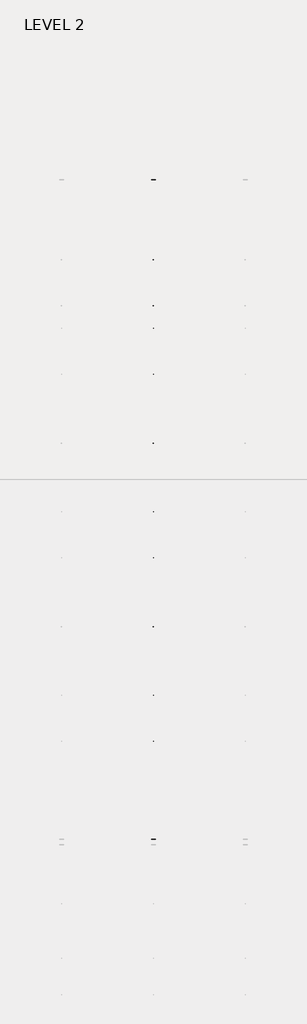
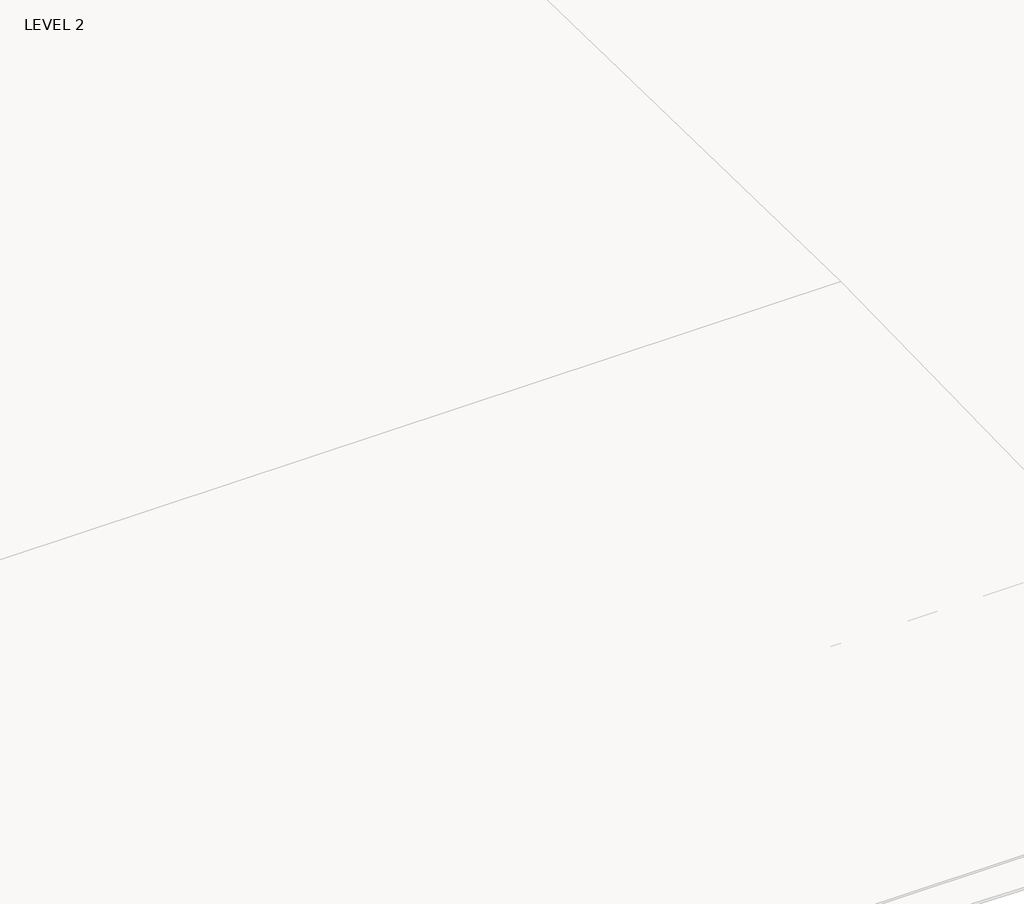
# One storey, part 61 of 67: 1 beam.
"""IFC4 building model written with IfcOpenShell, lengths in millimetres."""

from ifc_helpers import new_model, si_unit, frame, origin, place, context, project, spatial, polyline, outline, extrude, faceted_brep, element, save

model = new_model("IFC4")

# Units and contexts
model_context = context("Model", 3, world=origin())
ifc_project = project(units=[si_unit("LENGTHUNIT", "METRE", prefix="MILLI")], contexts=[model_context])

# Site, building, storey
site = spatial("IfcSite", under=ifc_project)
building = spatial("IfcBuilding", under=site)
storey = spatial("IfcBuildingStorey", under=building, Name="LEVEL 2", Elevation=6908.8)

# Beam
placement = place(None, origin())
element("IfcBeam", 1, ObjectType="K-Series Bar Joist-Angle Web : 30K7", at=placement, inside=storey, context=model_context, shape_type="SolidModel", body=[
    extrude(outline(polyline([(0.0, -9.525), (0.0, 0.0), (1596.011582, 0.0), (1596.011582, -9.525), (0.0, -9.525)])), frame((55499.2930142, 3035.5608234, 6301.5998528), z_axis=(0.0, -0.45537207995192985, 0.8903012236317849), x_axis=(0.0, -0.8903012236317849, -0.45537207995192985)), (0.0, 0.0, 1.0), 9.525),
    extrude(outline(polyline([(0.0, -9.525), (0.0, 0.0), (1596.011582, 0.0), (1596.011582, -9.525), (0.0, -9.525)])), frame((55489.7680142, -9405.2089013, 6276.405159), z_axis=(0.0, 0.45176233395621196, 0.8921383265046045), x_axis=(0.0, 0.8921383265046045, -0.45176233395621196)), (0.0, 0.0, 1.0), 9.525),
    extrude(outline(polyline([(4.7625, 4.7625), (4.7625, -4.7625), (-4.7625, -4.7625), (-4.7625, 4.7625), (4.7625, 4.7625)])), frame((55494.5305142, 1612.4610495, 5579.0607987), z_axis=(0.0, 0.5141906943646374, 0.8576758885667779), x_axis=(-1.0, 0.0, 0.0)), (0.0, 0.0, 1.0), 845.0528554),
    extrude(outline(polyline([(4.7625, 4.7625), (4.7625, -4.7625), (-4.7625, -4.7625), (-4.7625, 4.7625), (4.7625, 4.7625)])), frame((55494.5305142, -7979.1942813, 5559.6360505), z_axis=(0.0, -0.5176603441548682, 0.8555862131249332), x_axis=(-1.0, 0.0, 0.0)), (0.0, 0.0, 1.0), 845.0528554),
    extrude(outline(polyline([(0.0, 0.0), (31.75, 0.0), (31.75, -6.35), (6.35, -6.35), (6.35, -31.75), (0.0, -31.75), (0.0, 0.0)])), frame((55499.2930142, -8080.7812131, 5553.0803065), z_axis=(0.0, 0.9999979493462576, 0.0020251674695521043), x_axis=(1.0, 0.0, 0.0)), (0.0, 0.0, 1.0), 9794.875),
    extrude(outline(polyline([(-9.525, 0.0), (-9.525, -31.75), (-15.875, -31.75), (-15.875, -6.35), (-41.275, -6.35), (-41.275, 0.0), (-9.525, 0.0)])), frame((55499.2930142, -8080.7812131, 5553.0803065), z_axis=(0.0, 0.9999979493462576, 0.0020251674695521043), x_axis=(1.0, 0.0, 0.0)), (0.0, 0.0, 1.0), 9794.875),
    extrude(outline(polyline([(-31.75, 0.0), (0.0, 0.0), (0.0, -6.35), (-25.4, -6.35), (-25.4, -31.75), (-31.75, -31.75), (-31.75, 0.0)])), frame((55531.0430142, -9504.5928758, 6248.6982759), z_axis=(0.0, 0.9999979493462576, 0.0020251674695521043), x_axis=(1.0, 0.0, 0.0)), (0.0, 0.0, 1.0), 101.6),
    extrude(outline(polyline([(-41.275, 0.0), (-41.275, -31.75), (-47.625, -31.75), (-47.625, -6.35), (-73.025, -6.35), (-73.025, 0.0), (-41.275, 0.0)])), frame((55531.0430142, -9504.5928758, 6248.6982759), z_axis=(0.0, 0.9999979493462576, 0.0020251674695521043), x_axis=(1.0, 0.0, 0.0)), (0.0, 0.0, 1.0), 101.6),
    extrude(outline(polyline([(0.0, 0.0), (31.75, 0.0), (31.75, -6.35), (6.35, -6.35), (6.35, -31.75), (0.0, -31.75), (0.0, 0.0)])), frame((55489.7680142, 3033.456413, 6274.0899775), z_axis=(0.0, 0.9999979493462576, 0.0020251674695521043), x_axis=(0.0, -0.0020251674695521043, 0.9999979493462576)), (0.0, 0.0, 1.0), 101.6),
    extrude(outline(polyline([(0.0, 41.275), (6.35, 41.275), (6.35, 15.875), (31.75, 15.875), (31.75, 9.525), (0.0, 9.525), (0.0, 41.275)])), frame((55489.7680142, 3033.456413, 6274.0899775), z_axis=(0.0, 0.9999979493462576, 0.0020251674695521043), x_axis=(0.0, -0.0020251674695521043, 0.9999979493462576)), (0.0, 0.0, 1.0), 101.6),
    extrude(outline(polyline([(0.0, 0.0), (31.75, 0.0), (31.75, -6.35), (6.35, -6.35), (6.35, -31.75), (0.0, -31.75), (0.0, 0.0)])), frame((55499.2930142, -9504.7214739, 6312.1981457), z_axis=(0.0, 0.9999979493462576, 0.0020251674695521043), x_axis=(0.0, 0.0020251674695521043, -0.9999979493462576)), (0.0, 0.0, 1.0), 12639.675),
    extrude(outline(polyline([(0.0, 9.525), (0.0, 41.275), (6.35, 41.275), (6.35, 15.875), (31.75, 15.875), (31.75, 9.525), (0.0, 9.525)])), frame((55499.2930142, -9504.7214739, 6312.1981457), z_axis=(0.0, 0.9999979493462576, 0.0020251674695521043), x_axis=(0.0, 0.0020251674695521043, -0.9999979493462576)), (0.0, 0.0, 1.0), 12639.675),
    faceted_brep([(55494.5305142, 1612.4289, 5594.9357661), (55494.5305142, 1612.4674794, 5575.8858052), (55489.7680142, 1612.4674794, 5575.8858052), (55489.7680142, 1612.4289, 5594.9357661), (55494.5305142, 1611.5910583, 5594.9340693), (55494.5305142, 1186.8149607, 6330.6753354), (55494.5305142, 1168.6028414, 6330.6384527), (55494.5305142, 1168.6414208, 6311.5884918), (55494.5305142, 1175.8292494, 6311.6030483), (55494.5305142, 1600.6053471, 5575.8617823), (55489.7680142, 1600.6053471, 5575.8617823), (55489.7680142, 1580.4651011, 5610.7460665), (55489.7680142, 1584.5895575, 5613.1272983), (55489.7680142, 1189.1083632, 6298.1277874), (55489.7680142, 1184.9839067, 6295.7465555), (55489.7680142, 1175.8292494, 6311.6030483), (55489.7680142, 1168.6414208, 6311.5884918), (55489.7680142, 1168.6028414, 6330.6384527), (55489.7680142, 1186.8149607, 6330.6753354), (55489.7680142, 1611.5910583, 5594.9340693), (55477.0680142, 1184.9839067, 6295.7465555), (55477.0680142, 1580.4651011, 5610.7460665), (55477.0680142, 1584.5895575, 5613.1272983), (55477.0680142, 1189.1083632, 6298.1277874)], [[[0, 1, 2, 3]], [[1, 0, 4, 5, 6, 7, 8, 9]], [[2, 1, 9, 10]], [[3, 2, 10, 11, 12, 13, 14, 15, 16, 17, 18, 19]], [[0, 3, 19, 4]], [[9, 8, 15, 14, 20, 21, 11, 10]], [[5, 4, 19, 18]], [[7, 6, 17, 16]], [[8, 7, 16, 15]], [[6, 5, 18, 17]], [[21, 22, 12, 11]], [[20, 14, 13, 23]], [[22, 21, 20, 23]], [[12, 22, 23, 13]]]),
    extrude(outline(polyline([(740.498813, 5574.119919), (740.4602335, 5593.1698799), (741.2980751, 5593.1715767), (1163.090696, 6330.6272897), (1181.3028154, 6330.6641723), (1181.3413948, 6311.6142114), (1174.1535662, 6311.5996548), (752.3609453, 5574.1439418), (740.498813, 5574.119919)])), frame((55494.5305142, 0.0, 0.0), z_axis=(1.0, 0.0, 0.0), x_axis=(0.0, 1.0, 0.0)), (0.0, 0.0, 1.0), 4.7625),
    extrude(outline(polyline([(-4.7625, 4.7625), (-4.7625, 0.0), (-17.4625, 0.0), (-17.4625, 4.7625), (-4.7625, 4.7625)])), frame((55494.5305142, 772.3597334, 5609.1095144), z_axis=(0.0, 0.4964843899757221, 0.8680456500152716), x_axis=(-1.0, 0.0, 0.0)), (0.0, 0.0, 1.0), 790.9684223),
    faceted_brep([(55494.5305142, -7107.2577644, 5577.2769041), (55494.5305142, -7107.219185, 5558.2269432), (55489.7680142, -7107.219185, 5558.2269432), (55489.7680142, -7107.2577644, 5577.2769041), (55494.5305142, -7108.095606, 5577.2752074), (55494.5305142, -7532.8717036, 6313.0164734), (55494.5305142, -7551.083823, 6312.9795907), (55494.5305142, -7551.0452435, 6293.9296298), (55494.5305142, -7543.8574149, 6293.9441864), (55494.5305142, -7119.0813173, 5558.2029203), (55489.7680142, -7119.0813173, 5558.2029203), (55489.7680142, -7139.2215633, 5593.0872045), (55489.7680142, -7135.0971068, 5595.4684363), (55489.7680142, -7530.5783012, 6280.4689254), (55489.7680142, -7534.7027576, 6278.0876936), (55489.7680142, -7543.8574149, 6293.9441864), (55489.7680142, -7551.0452435, 6293.9296298), (55489.7680142, -7551.083823, 6312.9795907), (55489.7680142, -7532.8717036, 6313.0164734), (55489.7680142, -7108.095606, 5577.2752074), (55477.0680142, -7534.7027576, 6278.0876936), (55477.0680142, -7139.2215633, 5593.0872045), (55477.0680142, -7135.0971068, 5595.4684363), (55477.0680142, -7530.5783012, 6280.4689254)], [[[0, 1, 2, 3]], [[1, 0, 4, 5, 6, 7, 8, 9]], [[2, 1, 9, 10]], [[3, 2, 10, 11, 12, 13, 14, 15, 16, 17, 18, 19]], [[0, 3, 19, 4]], [[9, 8, 15, 14, 20, 21, 11, 10]], [[5, 4, 19, 18]], [[7, 6, 17, 16]], [[8, 7, 16, 15]], [[6, 5, 18, 17]], [[21, 22, 12, 11]], [[20, 14, 13, 23]], [[22, 21, 20, 23]], [[12, 22, 23, 13]]]),
    extrude(outline(polyline([(-7979.1878514, 5556.461057), (-7979.2264308, 5575.5110179), (-7978.3885892, 5575.5127147), (-7556.5959683, 6312.9684277), (-7538.383849, 6313.0053103), (-7538.3452696, 6293.9553494), (-7545.5330982, 6293.9407928), (-7967.3257191, 5556.4850798), (-7979.1878514, 5556.461057)])), frame((55494.5305142, 0.0, 0.0), z_axis=(1.0, 0.0, 0.0), x_axis=(0.0, 1.0, 0.0)), (0.0, 0.0, 1.0), 4.7625),
    extrude(outline(polyline([(-4.7625, 4.7625), (-4.7625, 0.0), (-17.4625, 0.0), (-17.4625, 4.7625), (-4.7625, 4.7625)])), frame((55494.5305142, -7947.326931, 5591.4506524), z_axis=(0.0, 0.4964843899757221, 0.8680456500152716), x_axis=(-1.0, 0.0, 0.0)), (0.0, 0.0, 1.0), 790.9684223),
    faceted_brep([(55494.5305142, 740.4602335, 5593.1698799), (55494.5305142, 740.498813, 5574.119919), (55489.7680142, 740.498813, 5574.119919), (55489.7680142, 740.4602335, 5593.1698799), (55494.5305142, 739.6223919, 5593.1681831), (55494.5305142, 314.8462943, 6328.9094492), (55494.5305142, 296.634175, 6328.8725665), (55494.5305142, 296.6727544, 6309.8226056), (55494.5305142, 303.860583, 6309.8371621), (55494.5305142, 728.6366806, 5574.0958961), (55489.7680142, 728.6366806, 5574.0958961), (55489.7680142, 708.4964346, 5608.9801803), (55489.7680142, 712.6208911, 5611.3614121), (55489.7680142, 317.1396968, 6296.3619012), (55489.7680142, 313.0152403, 6293.9806693), (55489.7680142, 303.860583, 6309.8371621), (55489.7680142, 296.6727544, 6309.8226056), (55489.7680142, 296.634175, 6328.8725665), (55489.7680142, 314.8462943, 6328.9094492), (55489.7680142, 739.6223919, 5593.1681831), (55477.0680142, 313.0152403, 6293.9806693), (55477.0680142, 708.4964346, 5608.9801803), (55477.0680142, 712.6208911, 5611.3614121), (55477.0680142, 317.1396968, 6296.3619012)], [[[0, 1, 2, 3]], [[1, 0, 4, 5, 6, 7, 8, 9]], [[2, 1, 9, 10]], [[3, 2, 10, 11, 12, 13, 14, 15, 16, 17, 18, 19]], [[0, 3, 19, 4]], [[9, 8, 15, 14, 20, 21, 11, 10]], [[5, 4, 19, 18]], [[7, 6, 17, 16]], [[8, 7, 16, 15]], [[6, 5, 18, 17]], [[21, 22, 12, 11]], [[20, 14, 13, 23]], [[22, 21, 20, 23]], [[12, 22, 23, 13]]]),
    extrude(outline(polyline([(-131.4698535, 5572.3540328), (-131.5084329, 5591.4039937), (-130.6705913, 5591.4056905), (291.1220296, 6328.8614035), (309.3341489, 6328.8982861), (309.3727284, 6309.8483252), (302.1848998, 6309.8337686), (-119.6077211, 5572.3780556), (-131.4698535, 5572.3540328)])), frame((55494.5305142, 0.0, 0.0), z_axis=(1.0, 0.0, 0.0), x_axis=(0.0, 1.0, 0.0)), (0.0, 0.0, 1.0), 4.7625),
    extrude(outline(polyline([(-4.7625, 4.7625), (-4.7625, 0.0), (-17.4625, 0.0), (-17.4625, 4.7625), (-4.7625, 4.7625)])), frame((55494.5305142, -99.6089331, 5607.3436282), z_axis=(0.0, 0.4964843899757221, 0.8680456500152716), x_axis=(-1.0, 0.0, 0.0)), (0.0, 0.0, 1.0), 790.9684223),
    faceted_brep([(55494.5305142, -131.5084329, 5591.4039937), (55494.5305142, -131.4698535, 5572.3540328), (55489.7680142, -131.4698535, 5572.3540328), (55489.7680142, -131.5084329, 5591.4039937), (55494.5305142, -132.3462745, 5591.4022969), (55494.5305142, -557.1223722, 6327.143563), (55494.5305142, -575.3344915, 6327.1066803), (55494.5305142, -575.295912, 6308.0567194), (55494.5305142, -568.1080834, 6308.0712759), (55494.5305142, -143.3319858, 5572.3300099), (55489.7680142, -143.3319858, 5572.3300099), (55489.7680142, -163.4722318, 5607.2142941), (55489.7680142, -159.3477753, 5609.5955259), (55489.7680142, -554.8289697, 6294.596015), (55489.7680142, -558.9534262, 6292.2147831), (55489.7680142, -568.1080834, 6308.0712759), (55489.7680142, -575.295912, 6308.0567194), (55489.7680142, -575.3344915, 6327.1066803), (55489.7680142, -557.1223722, 6327.143563), (55489.7680142, -132.3462745, 5591.4022969), (55477.0680142, -558.9534262, 6292.2147831), (55477.0680142, -163.4722318, 5607.2142941), (55477.0680142, -159.3477753, 5609.5955259), (55477.0680142, -554.8289697, 6294.596015)], [[[0, 1, 2, 3]], [[1, 0, 4, 5, 6, 7, 8, 9]], [[2, 1, 9, 10]], [[3, 2, 10, 11, 12, 13, 14, 15, 16, 17, 18, 19]], [[0, 3, 19, 4]], [[9, 8, 15, 14, 20, 21, 11, 10]], [[5, 4, 19, 18]], [[7, 6, 17, 16]], [[8, 7, 16, 15]], [[6, 5, 18, 17]], [[21, 22, 12, 11]], [[20, 14, 13, 23]], [[22, 21, 20, 23]], [[12, 22, 23, 13]]]),
    extrude(outline(polyline([(-1003.4385199, 5570.5881466), (-1003.4770993, 5589.6381075), (-1002.6392577, 5589.6398043), (-580.8466368, 6327.0955173), (-562.6345175, 6327.1323999), (-562.5959381, 6308.082439), (-569.7837667, 6308.0678824), (-991.5763876, 5570.6121694), (-1003.4385199, 5570.5881466)])), frame((55494.5305142, 0.0, 0.0), z_axis=(1.0, 0.0, 0.0), x_axis=(0.0, 1.0, 0.0)), (0.0, 0.0, 1.0), 4.7625),
    extrude(outline(polyline([(-4.7625, 4.7625), (-4.7625, 0.0), (-17.4625, 0.0), (-17.4625, 4.7625), (-4.7625, 4.7625)])), frame((55494.5305142, -971.5775995, 5605.577742), z_axis=(0.0, 0.4964843899757221, 0.8680456500152716), x_axis=(-1.0, 0.0, 0.0)), (0.0, 0.0, 1.0), 790.9684223),
    faceted_brep([(55494.5305142, -1003.4770993, 5589.6381075), (55494.5305142, -1003.4385199, 5570.5881466), (55489.7680142, -1003.4385199, 5570.5881466), (55489.7680142, -1003.4770993, 5589.6381075), (55494.5305142, -1004.314941, 5589.6364107), (55494.5305142, -1429.0910386, 6325.3776768), (55494.5305142, -1447.3031579, 6325.3407941), (55494.5305142, -1447.2645785, 6306.2908332), (55494.5305142, -1440.0767499, 6306.3053897), (55494.5305142, -1015.3006522, 5570.5641237), (55489.7680142, -1015.3006522, 5570.5641237), (55489.7680142, -1035.4408983, 5605.4484079), (55489.7680142, -1031.3164418, 5607.8296397), (55489.7680142, -1426.7976361, 6292.8301288), (55489.7680142, -1430.9220926, 6290.4488969), (55489.7680142, -1440.0767499, 6306.3053897), (55489.7680142, -1447.2645785, 6306.2908332), (55489.7680142, -1447.3031579, 6325.3407941), (55489.7680142, -1429.0910386, 6325.3776768), (55489.7680142, -1004.314941, 5589.6364107), (55477.0680142, -1430.9220926, 6290.4488969), (55477.0680142, -1035.4408983, 5605.4484079), (55477.0680142, -1031.3164418, 5607.8296397), (55477.0680142, -1426.7976361, 6292.8301288)], [[[0, 1, 2, 3]], [[1, 0, 4, 5, 6, 7, 8, 9]], [[2, 1, 9, 10]], [[3, 2, 10, 11, 12, 13, 14, 15, 16, 17, 18, 19]], [[0, 3, 19, 4]], [[9, 8, 15, 14, 20, 21, 11, 10]], [[5, 4, 19, 18]], [[7, 6, 17, 16]], [[8, 7, 16, 15]], [[6, 5, 18, 17]], [[21, 22, 12, 11]], [[20, 14, 13, 23]], [[22, 21, 20, 23]], [[12, 22, 23, 13]]]),
    extrude(outline(polyline([(-1875.4071863, 5568.8222604), (-1875.4457658, 5587.8722213), (-1874.6079242, 5587.8739181), (-1452.8153033, 6325.3296311), (-1434.6031839, 6325.3665137), (-1434.5646045, 6306.3165528), (-1441.7524331, 6306.3019962), (-1863.545054, 5568.8462832), (-1875.4071863, 5568.8222604)])), frame((55494.5305142, 0.0, 0.0), z_axis=(1.0, 0.0, 0.0), x_axis=(0.0, 1.0, 0.0)), (0.0, 0.0, 1.0), 4.7625),
    extrude(outline(polyline([(-4.7625, 4.7625001), (-4.7625, 0.0), (-17.4625, 0.0), (-17.4625, 4.7625001), (-4.7625, 4.7625001)])), frame((55494.5305142, -1843.5462659, 5603.8118558), z_axis=(0.0, 0.4964843899757221, 0.8680456500152716), x_axis=(-1.0, 0.0, 0.0)), (0.0, 0.0, 1.0), 790.9684223),
    faceted_brep([(55494.5305142, -1875.4457658, 5587.8722213), (55494.5305142, -1875.4071863, 5568.8222604), (55489.7680142, -1875.4071863, 5568.8222604), (55489.7680142, -1875.4457658, 5587.8722213), (55494.5305142, -1876.2836074, 5587.8705245), (55494.5305142, -2301.059705, 6323.6117906), (55494.5305142, -2319.2718243, 6323.5749079), (55494.5305142, -2319.2332449, 6304.524947), (55494.5305142, -2312.0454163, 6304.5395035), (55494.5305142, -1887.2693187, 5568.7982375), (55489.7680142, -1887.2693187, 5568.7982375), (55489.7680142, -1907.4095647, 5603.6825217), (55489.7680142, -1903.2851082, 5606.0637535), (55489.7680142, -2298.7663026, 6291.0642426), (55489.7680142, -2302.890759, 6288.6830107), (55489.7680142, -2312.0454163, 6304.5395035), (55489.7680142, -2319.2332449, 6304.524947), (55489.7680142, -2319.2718243, 6323.5749079), (55489.7680142, -2301.059705, 6323.6117906), (55489.7680142, -1876.2836074, 5587.8705245), (55477.0680142, -2302.890759, 6288.6830107), (55477.0680142, -1907.4095647, 5603.6825217), (55477.0680142, -1903.2851082, 5606.0637535), (55477.0680142, -2298.7663026, 6291.0642426)], [[[0, 1, 2, 3]], [[1, 0, 4, 5, 6, 7, 8, 9]], [[2, 1, 9, 10]], [[3, 2, 10, 11, 12, 13, 14, 15, 16, 17, 18, 19]], [[0, 3, 19, 4]], [[9, 8, 15, 14, 20, 21, 11, 10]], [[5, 4, 19, 18]], [[7, 6, 17, 16]], [[8, 7, 16, 15]], [[6, 5, 18, 17]], [[21, 22, 12, 11]], [[20, 14, 13, 23]], [[22, 21, 20, 23]], [[12, 22, 23, 13]]]),
    extrude(outline(polyline([(-2747.3758528, 5567.0563742), (-2747.4144322, 5586.1063351), (-2746.5765906, 5586.1080319), (-2324.7839697, 6323.5637449), (-2306.5718504, 6323.6006275), (-2306.5332709, 6304.5506666), (-2313.7210995, 6304.53611), (-2735.5137204, 5567.080397), (-2747.3758528, 5567.0563742)])), frame((55494.5305142, 0.0, 0.0), z_axis=(1.0, 0.0, 0.0), x_axis=(0.0, 1.0, 0.0)), (0.0, 0.0, 1.0), 4.7625),
    extrude(outline(polyline([(-4.7625, 4.7625), (-4.7625, 0.0), (-17.4625, 0.0), (-17.4625, 4.7625), (-4.7625, 4.7625)])), frame((55494.5305142, -2715.5149324, 5602.0459696), z_axis=(0.0, 0.4964843899757221, 0.8680456500152716), x_axis=(-1.0, 0.0, 0.0)), (0.0, 0.0, 1.0), 790.9684223),
    faceted_brep([(55494.5305142, -2747.4144322, 5586.1063351), (55494.5305142, -2747.3758528, 5567.0563742), (55489.7680142, -2747.3758528, 5567.0563742), (55489.7680142, -2747.4144322, 5586.1063351), (55494.5305142, -2748.2522738, 5586.1046383), (55494.5305142, -3173.0283715, 6321.8459044), (55494.5305142, -3191.2404908, 6321.8090217), (55494.5305142, -3191.2019113, 6302.7590608), (55494.5305142, -3184.0140827, 6302.7736173), (55494.5305142, -2759.2379851, 5567.0323513), (55489.7680142, -2759.2379851, 5567.0323513), (55489.7680142, -2779.3782311, 5601.9166355), (55489.7680142, -2775.2537747, 5604.2978673), (55489.7680142, -3170.734969, 6289.2983564), (55489.7680142, -3174.8594255, 6286.9171245), (55489.7680142, -3184.0140827, 6302.7736173), (55489.7680142, -3191.2019113, 6302.7590608), (55489.7680142, -3191.2404908, 6321.8090217), (55489.7680142, -3173.0283715, 6321.8459044), (55489.7680142, -2748.2522738, 5586.1046383), (55477.0680142, -3174.8594255, 6286.9171245), (55477.0680142, -2779.3782311, 5601.9166355), (55477.0680142, -2775.2537747, 5604.2978673), (55477.0680142, -3170.734969, 6289.2983564)], [[[0, 1, 2, 3]], [[1, 0, 4, 5, 6, 7, 8, 9]], [[2, 1, 9, 10]], [[3, 2, 10, 11, 12, 13, 14, 15, 16, 17, 18, 19]], [[0, 3, 19, 4]], [[9, 8, 15, 14, 20, 21, 11, 10]], [[5, 4, 19, 18]], [[7, 6, 17, 16]], [[8, 7, 16, 15]], [[6, 5, 18, 17]], [[21, 22, 12, 11]], [[20, 14, 13, 23]], [[22, 21, 20, 23]], [[12, 22, 23, 13]]]),
    extrude(outline(polyline([(-3619.3445192, 5565.290488), (-3619.3830987, 5584.3404489), (-3618.545257, 5584.3421457), (-3196.7526361, 6321.7978587), (-3178.5405168, 6321.8347413), (-3178.5019374, 6302.7847804), (-3185.689766, 6302.7702238), (-3607.4823869, 5565.3145108), (-3619.3445192, 5565.290488)])), frame((55494.5305142, 0.0, 0.0), z_axis=(1.0, 0.0, 0.0), x_axis=(0.0, 1.0, 0.0)), (0.0, 0.0, 1.0), 4.7625),
    extrude(outline(polyline([(-4.7625, 4.7625), (-4.7625, 0.0), (-17.4625, 0.0), (-17.4625, 4.7625), (-4.7625, 4.7625)])), frame((55494.5305142, -3587.4835988, 5600.2800834), z_axis=(0.0, 0.4964843899757221, 0.8680456500152716), x_axis=(-1.0, 0.0, 0.0)), (0.0, 0.0, 1.0), 790.9684223),
    faceted_brep([(55494.5305142, -3619.3830987, 5584.3404489), (55494.5305142, -3619.3445192, 5565.290488), (55489.7680142, -3619.3445192, 5565.290488), (55489.7680142, -3619.3830987, 5584.3404489), (55494.5305142, -3620.2209403, 5584.3387521), (55494.5305142, -4044.9970379, 6320.0800182), (55494.5305142, -4063.2091572, 6320.0431355), (55494.5305142, -4063.1705778, 6300.9931746), (55494.5305142, -4055.9827492, 6301.0077311), (55494.5305142, -3631.2066516, 5565.2664651), (55489.7680142, -3631.2066516, 5565.2664651), (55489.7680142, -3651.3468976, 5600.1507493), (55489.7680142, -3647.2224411, 5602.5319811), (55489.7680142, -4042.7036354, 6287.5324702), (55489.7680142, -4046.8280919, 6285.1512383), (55489.7680142, -4055.9827492, 6301.0077311), (55489.7680142, -4063.1705778, 6300.9931746), (55489.7680142, -4063.2091572, 6320.0431355), (55489.7680142, -4044.9970379, 6320.0800182), (55489.7680142, -3620.2209403, 5584.3387521), (55477.0680142, -4046.8280919, 6285.1512383), (55477.0680142, -3651.3468976, 5600.1507493), (55477.0680142, -3647.2224411, 5602.5319811), (55477.0680142, -4042.7036354, 6287.5324702)], [[[0, 1, 2, 3]], [[1, 0, 4, 5, 6, 7, 8, 9]], [[2, 1, 9, 10]], [[3, 2, 10, 11, 12, 13, 14, 15, 16, 17, 18, 19]], [[0, 3, 19, 4]], [[9, 8, 15, 14, 20, 21, 11, 10]], [[5, 4, 19, 18]], [[7, 6, 17, 16]], [[8, 7, 16, 15]], [[6, 5, 18, 17]], [[21, 22, 12, 11]], [[20, 14, 13, 23]], [[22, 21, 20, 23]], [[12, 22, 23, 13]]]),
    extrude(outline(polyline([(-4491.3131857, 5563.5246018), (-4491.3517651, 5582.5745627), (-4490.5139235, 5582.5762595), (-4068.7213026, 6320.0319725), (-4050.5091833, 6320.0688551), (-4050.4706038, 6301.0188942), (-4057.6584324, 6301.0043376), (-4479.4510533, 5563.5486246), (-4491.3131857, 5563.5246018)])), frame((55494.5305142, 0.0, 0.0), z_axis=(1.0, 0.0, 0.0), x_axis=(0.0, 1.0, 0.0)), (0.0, 0.0, 1.0), 4.7625),
    extrude(outline(polyline([(-4.7625, 4.7625), (-4.7625, 0.0), (-17.4625, 0.0), (-17.4625, 4.7625), (-4.7625, 4.7625)])), frame((55494.5305142, -4459.4522653, 5598.5141972), z_axis=(0.0, 0.4964843899757221, 0.8680456500152716), x_axis=(-1.0, 0.0, 0.0)), (0.0, 0.0, 1.0), 790.9684223),
    faceted_brep([(55494.5305142, -4491.3517651, 5582.5745627), (55494.5305142, -4491.3131857, 5563.5246018), (55489.7680142, -4491.3131857, 5563.5246018), (55489.7680142, -4491.3517651, 5582.5745627), (55494.5305142, -4492.1896067, 5582.572866), (55494.5305142, -4916.9657043, 6318.314132), (55494.5305142, -4935.1778236, 6318.2772493), (55494.5305142, -4935.1392442, 6299.2272884), (55494.5305142, -4927.9514156, 6299.241845), (55494.5305142, -4503.175318, 5563.5005789), (55489.7680142, -4503.175318, 5563.5005789), (55489.7680142, -4523.315564, 5598.3848631), (55489.7680142, -4519.1911075, 5600.7660949), (55489.7680142, -4914.6723019, 6285.766584), (55489.7680142, -4918.7967583, 6283.3853521), (55489.7680142, -4927.9514156, 6299.241845), (55489.7680142, -4935.1392442, 6299.2272884), (55489.7680142, -4935.1778236, 6318.2772493), (55489.7680142, -4916.9657043, 6318.314132), (55489.7680142, -4492.1896067, 5582.572866), (55477.0680142, -4918.7967583, 6283.3853521), (55477.0680142, -4523.315564, 5598.3848631), (55477.0680142, -4519.1911075, 5600.7660949), (55477.0680142, -4914.6723019, 6285.766584)], [[[0, 1, 2, 3]], [[1, 0, 4, 5, 6, 7, 8, 9]], [[2, 1, 9, 10]], [[3, 2, 10, 11, 12, 13, 14, 15, 16, 17, 18, 19]], [[0, 3, 19, 4]], [[9, 8, 15, 14, 20, 21, 11, 10]], [[5, 4, 19, 18]], [[7, 6, 17, 16]], [[8, 7, 16, 15]], [[6, 5, 18, 17]], [[21, 22, 12, 11]], [[20, 14, 13, 23]], [[22, 21, 20, 23]], [[12, 22, 23, 13]]]),
    extrude(outline(polyline([(-5363.2818521, 5561.7587156), (-5363.3204315, 5580.8086765), (-5362.4825899, 5580.8103733), (-4940.689969, 6318.2660863), (-4922.4778497, 6318.3029689), (-4922.4392703, 6299.253008), (-4929.6270988, 6299.2384514), (-5351.4197198, 5561.7827384), (-5363.2818521, 5561.7587156)])), frame((55494.5305142, 0.0, 0.0), z_axis=(1.0, 0.0, 0.0), x_axis=(0.0, 1.0, 0.0)), (0.0, 0.0, 1.0), 4.7625),
    extrude(outline(polyline([(-4.7625, 4.7625), (-4.7625, 0.0), (-17.4625, 0.0), (-17.4625, 4.7625), (-4.7625, 4.7625)])), frame((55494.5305142, -5331.4209317, 5596.748311), z_axis=(0.0, 0.4964843899757221, 0.8680456500152716), x_axis=(-1.0, 0.0, 0.0)), (0.0, 0.0, 1.0), 790.9684223),
    faceted_brep([(55494.5305142, -5363.3204315, 5580.8086765), (55494.5305142, -5363.2818521, 5561.7587156), (55489.7680142, -5363.2818521, 5561.7587156), (55489.7680142, -5363.3204315, 5580.8086765), (55494.5305142, -5364.1582731, 5580.8069798), (55494.5305142, -5788.9343708, 6316.5482458), (55494.5305142, -5807.1464901, 6316.5113631), (55494.5305142, -5807.1079106, 6297.4614022), (55494.5305142, -5799.920082, 6297.4759588), (55494.5305142, -5375.1439844, 5561.7346927), (55489.7680142, -5375.1439844, 5561.7346927), (55489.7680142, -5395.2842304, 5596.6189769), (55489.7680142, -5391.159774, 5599.0002087), (55489.7680142, -5786.6409683, 6284.0006978), (55489.7680142, -5790.7654248, 6281.6194659), (55489.7680142, -5799.920082, 6297.4759588), (55489.7680142, -5807.1079106, 6297.4614022), (55489.7680142, -5807.1464901, 6316.5113631), (55489.7680142, -5788.9343708, 6316.5482458), (55489.7680142, -5364.1582731, 5580.8069798), (55477.0680142, -5790.7654248, 6281.6194659), (55477.0680142, -5395.2842304, 5596.6189769), (55477.0680142, -5391.159774, 5599.0002087), (55477.0680142, -5786.6409683, 6284.0006978)], [[[0, 1, 2, 3]], [[1, 0, 4, 5, 6, 7, 8, 9]], [[2, 1, 9, 10]], [[3, 2, 10, 11, 12, 13, 14, 15, 16, 17, 18, 19]], [[0, 3, 19, 4]], [[9, 8, 15, 14, 20, 21, 11, 10]], [[5, 4, 19, 18]], [[7, 6, 17, 16]], [[8, 7, 16, 15]], [[6, 5, 18, 17]], [[21, 22, 12, 11]], [[20, 14, 13, 23]], [[22, 21, 20, 23]], [[12, 22, 23, 13]]]),
    extrude(outline(polyline([(-6235.2505185, 5559.9928294), (-6235.289098, 5579.0427903), (-6234.4512563, 5579.0444871), (-5812.6586354, 6316.5002001), (-5794.4465161, 6316.5370827), (-5794.4079367, 6297.4871218), (-5801.5957653, 6297.4725652), (-6223.3883862, 5560.0168522), (-6235.2505185, 5559.9928294)])), frame((55494.5305142, 0.0, 0.0), z_axis=(1.0, 0.0, 0.0), x_axis=(0.0, 1.0, 0.0)), (0.0, 0.0, 1.0), 4.7625),
    extrude(outline(polyline([(-4.7625, 4.7625), (-4.7625, 0.0), (-17.4625, 0.0), (-17.4625, 4.7625), (-4.7625, 4.7625)])), frame((55494.5305142, -6203.3895981, 5594.9824248), z_axis=(0.0, 0.4964843899757221, 0.8680456500152716), x_axis=(-1.0, 0.0, 0.0)), (0.0, 0.0, 1.0), 790.9684223),
    faceted_brep([(55494.5305142, -6235.289098, 5579.0427903), (55494.5305142, -6235.2505185, 5559.9928294), (55489.7680142, -6235.2505185, 5559.9928294), (55489.7680142, -6235.289098, 5579.0427903), (55494.5305142, -6236.1269396, 5579.0410936), (55494.5305142, -6660.9030372, 6314.7823596), (55494.5305142, -6679.1151565, 6314.7454769), (55494.5305142, -6679.0765771, 6295.695516), (55494.5305142, -6671.8887485, 6295.7100726), (55494.5305142, -6247.1126509, 5559.9688065), (55489.7680142, -6247.1126509, 5559.9688065), (55489.7680142, -6267.2528969, 5594.8530907), (55489.7680142, -6263.1284404, 5597.2343225), (55489.7680142, -6658.6096347, 6282.2348116), (55489.7680142, -6662.7340912, 6279.8535798), (55489.7680142, -6671.8887485, 6295.7100726), (55489.7680142, -6679.0765771, 6295.695516), (55489.7680142, -6679.1151565, 6314.7454769), (55489.7680142, -6660.9030372, 6314.7823596), (55489.7680142, -6236.1269396, 5579.0410936), (55477.0680142, -6662.7340912, 6279.8535798), (55477.0680142, -6267.2528969, 5594.8530907), (55477.0680142, -6263.1284404, 5597.2343225), (55477.0680142, -6658.6096347, 6282.2348116)], [[[0, 1, 2, 3]], [[1, 0, 4, 5, 6, 7, 8, 9]], [[2, 1, 9, 10]], [[3, 2, 10, 11, 12, 13, 14, 15, 16, 17, 18, 19]], [[0, 3, 19, 4]], [[9, 8, 15, 14, 20, 21, 11, 10]], [[5, 4, 19, 18]], [[7, 6, 17, 16]], [[8, 7, 16, 15]], [[6, 5, 18, 17]], [[21, 22, 12, 11]], [[20, 14, 13, 23]], [[22, 21, 20, 23]], [[12, 22, 23, 13]]]),
    extrude(outline(polyline([(-7107.219185, 5558.2269432), (-7107.2577644, 5577.2769041), (-7106.4199228, 5577.2786009), (-6684.6273019, 6314.7343139), (-6666.4151826, 6314.7711965), (-6666.3766031, 6295.7212356), (-6673.5644317, 6295.706679), (-7095.3570526, 5558.250966), (-7107.219185, 5558.2269432)])), frame((55494.5305142, 0.0, 0.0), z_axis=(1.0, 0.0, 0.0), x_axis=(0.0, 1.0, 0.0)), (0.0, 0.0, 1.0), 4.7625),
    extrude(outline(polyline([(-4.7625, 4.7625), (-4.7625, 0.0), (-17.4625, 0.0), (-17.4625, 4.7625), (-4.7625, 4.7625)])), frame((55494.5305142, -7075.3582646, 5593.2165386), z_axis=(0.0, 0.4964843899757221, 0.8680456500152716), x_axis=(-1.0, 0.0, 0.0)), (0.0, 0.0, 1.0), 790.9684223),
])

save(model, "model.ifc")
